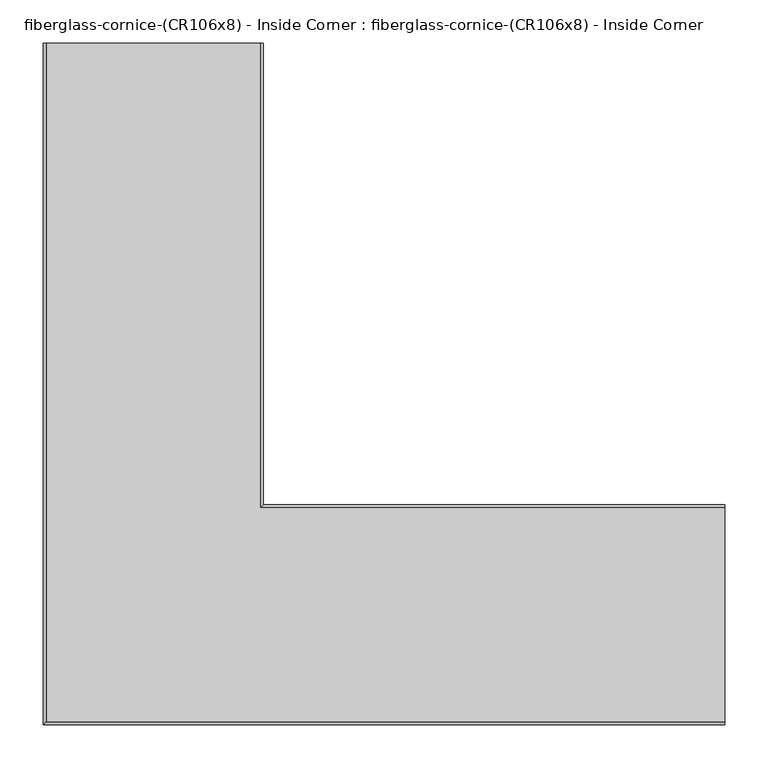
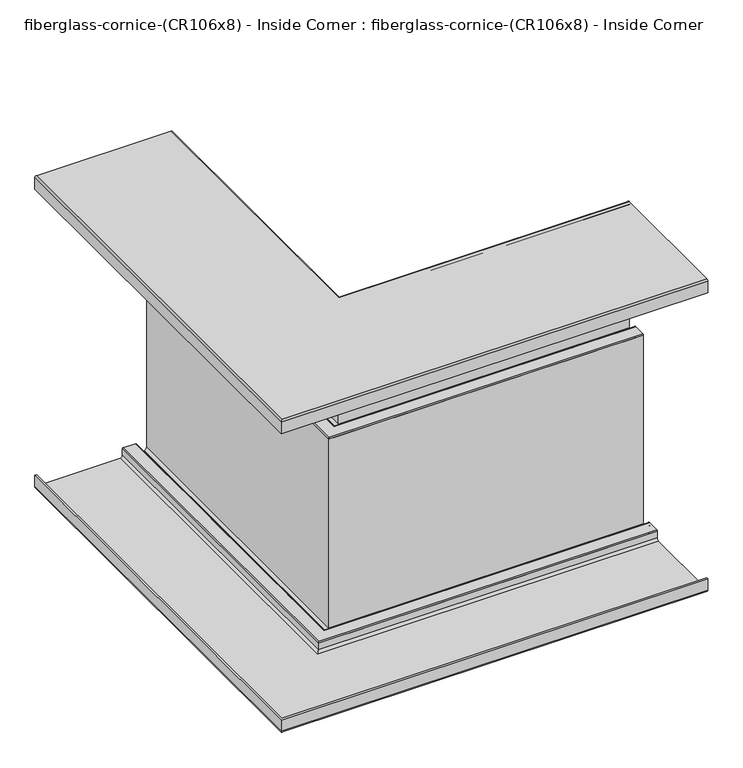
"""IFC4 building model written with IfcOpenShell, lengths in millimetres: furniture geometry, fiberglass-cornice-(CR106x8) - Inside Corner : fiberglass-cornice-(CR106x8) - Inside Corner."""

from ifc_helpers import new_model, si_unit, frame, origin, place, context, project, spatial, polyline, circle_curve, ellipse_curve, source, transform, mapped, element, save
from ifc_brep_helpers import plane_surface, cylinder_surface, revolved_surface, advanced_brep


def fiberglass_cornice_cr106x8_inside_corner_fiberglass_cornice_2d3d6bdf(model_context):
    return source(origin(), model_context, "Body", "AdvancedBrep", [
        advanced_brep(
        [(-393.6999938, 888.603125, 304.7999907), (-393.6999938, 888.603125, 327.0252086), (-390.525212, 888.603125, 330.1999904), (-142.8752837, 888.603125, 330.1999904), (-139.7002838, 888.603125, 327.0249905), (-139.7002838, 888.603125, 79.3750025), (-142.875304, 888.603125, 76.1999823), (-161.9251869, 888.603125, 76.1999823), (-165.1004455, 888.603125, 79.375241), (-165.1004455, 888.603125, 92.074994), (-168.2754359, 888.603125, 95.2499844), (-180.9753082, 888.603125, 95.2499844), (-184.15009, 888.603125, 92.0752026), (-184.15009, 888.603125, -276.2249969), (-187.3251102, 888.603125, -279.4000171), (-206.3749931, 888.603125, -279.4000171), (-209.5502517, 888.603125, -276.2247585), (-209.5502517, 888.603125, -263.5250352), (-212.7252719, 888.603125, -260.350015), (-225.4251144, 888.603125, -260.350015), (-228.600373, 888.603125, -263.5252737), (-228.600373, 888.603125, -276.2249969), (-231.7753932, 888.603125, -279.4000171), (-390.525212, 888.603125, -279.4000171), (-393.6999938, 888.603125, -276.2252353), (-393.6999938, 888.603125, -254.0000342), (-390.2076385, 888.603125, -254.0000342), (-390.2076385, 888.603125, -271.462407), (-385.7625625, 888.603125, -275.907483), (-236.5376852, 888.603125, -275.907483), (-232.0927284, 888.603125, -271.4625262), (-232.0927284, 888.603125, -258.7624453), (-230.1877639, 888.603125, -256.8574809), (-207.9629204, 888.603125, -256.8574809), (-206.0578964, 888.603125, -258.7625049), (-206.0578964, 888.603125, -271.462407), (-201.6128204, 888.603125, -275.907483), (-192.0875213, 888.603125, -275.907483), (-187.6429222, 888.603125, -271.4628838), (-187.6429222, 888.603125, 96.8375243), (-185.7379577, 888.603125, 98.7424888), (-163.5126076, 888.603125, 98.7424888), (-161.6076133, 888.603125, 96.8374945), (-161.6076133, 888.603125, 84.1375627), (-157.1625373, 888.603125, 79.6924867), (-147.6377151, 888.603125, 79.6924867), (-143.1926391, 888.603125, 84.1375627), (-143.1926391, 888.603125, 322.2624902), (-147.6376394, 888.603125, 326.7074905), (-385.7625625, 888.603125, 326.7074905), (-390.2076385, 888.603125, 322.2624145), (-390.2076385, 888.603125, 304.7999907), (393.6999938, 101.203125, 304.7999907), (393.6999938, 104.6954803, 304.7999907), (393.6999938, 104.6954803, 322.2624145), (393.6999938, 109.1405563, 326.7074905), (393.6999938, 347.2654794, 326.7074905), (393.6999938, 351.7104797, 322.2624902), (393.6999938, 351.7104797, 84.1375627), (393.6999938, 347.2654037, 79.6924867), (393.6999938, 337.7405815, 79.6924867), (393.6999938, 333.2955055, 84.1375627), (393.6999938, 333.2955055, 96.8374945), (393.6999938, 331.3905113, 98.7424888), (393.6999938, 309.1651611, 98.7424888), (393.6999938, 307.2601967, 96.8375243), (393.6999938, 307.2601967, -271.4628838), (393.6999938, 302.8155975, -275.907483), (393.6999938, 293.2902985, -275.907483), (393.6999938, 288.8452225, -271.462407), (393.6999938, 288.8452225, -258.7625049), (393.6999938, 286.9401984, -256.8574809), (393.6999938, 264.7153549, -256.8574809), (393.6999938, 262.8103905, -258.7624453), (393.6999938, 262.8103905, -271.4625262), (393.6999938, 258.3654337, -275.907483), (393.6999938, 109.1405563, -275.907483), (393.6999938, 104.6954803, -271.462407), (393.6999938, 104.6954803, -254.0000342), (393.6999938, 101.203125, -254.0000342), (393.6999938, 101.203125, -276.2252353), (393.6999938, 104.3779068, -279.4000171), (393.6999938, 263.1277256, -279.4000171), (393.6999938, 266.3027458, -276.2249969), (393.6999938, 266.3027458, -263.5252737), (393.6999938, 269.4780045, -260.350015), (393.6999938, 282.1778469, -260.350015), (393.6999938, 285.3528671, -263.5250352), (393.6999938, 285.3528671, -276.2247585), (393.6999938, 288.5281258, -279.4000171), (393.6999938, 307.5780087, -279.4000171), (393.6999938, 310.7530289, -276.2249969), (393.6999938, 310.7530289, 92.0752026), (393.6999938, 313.9278107, 95.2499844), (393.6999938, 326.6276829, 95.2499844), (393.6999938, 329.8026733, 92.074994), (393.6999938, 329.8026733, 79.375241), (393.6999938, 332.977932, 76.1999823), (393.6999938, 352.0278149, 76.1999823), (393.6999938, 355.2028351, 79.3750025), (393.6999938, 355.2028351, 327.0249905), (393.6999938, 352.0278351, 330.1999904), (393.6999938, 104.3779068, 330.1999904), (393.6999938, 101.203125, 327.0252086), (-393.6999938, 101.203125, 304.7999907), (-393.6999938, 101.203125, 327.0252086), (-390.525212, 104.3779068, 330.1999904), (-142.8752837, 352.0278351, 330.1999904), (-139.7002838, 355.2028351, 327.0249905), (-139.7002838, 355.2028351, 79.3750025), (-142.875304, 352.0278149, 76.1999823), (-161.9251869, 332.977932, 76.1999823), (-165.1004455, 329.8026733, 79.375241), (-165.1004455, 329.8026733, 92.074994), (-168.2754359, 326.6276829, 95.2499844), (-180.9753082, 313.9278107, 95.2499844), (-184.15009, 310.7530289, 92.0752026), (-184.15009, 310.7530289, -276.2249969), (-187.3251102, 307.5780087, -279.4000171), (-206.3749931, 288.5281258, -279.4000171), (-209.5502517, 285.3528671, -276.2247585), (-209.5502517, 285.3528671, -263.5250352), (-212.7252719, 282.1778469, -260.350015), (-225.4251144, 269.4780045, -260.350015), (-228.600373, 266.3027458, -263.5252737), (-228.600373, 266.3027458, -276.2249969), (-231.7753932, 263.1277256, -279.4000171), (-390.525212, 104.3779068, -279.4000171), (-393.6999938, 101.203125, -276.2252353), (-393.6999938, 101.203125, -254.0000342), (-390.2076385, 104.6954803, -254.0000342), (-390.2076385, 104.6954803, -271.462407), (-385.7625625, 109.1405563, -275.907483), (-236.5376852, 258.3654337, -275.907483), (-232.0927284, 262.8103905, -271.4625262), (-232.0927284, 262.8103905, -258.7624453), (-230.1877639, 264.7153549, -256.8574809), (-207.9629204, 286.9401984, -256.8574809), (-206.0578964, 288.8452225, -258.7625049), (-206.0578964, 288.8452225, -271.462407), (-201.6128204, 293.2902985, -275.907483), (-192.0875213, 302.8155975, -275.907483), (-187.6429222, 307.2601967, -271.4628838), (-187.6429222, 307.2601967, 96.8375243), (-185.7379577, 309.1651611, 98.7424888), (-163.5126076, 331.3905113, 98.7424888), (-161.6076133, 333.2955055, 96.8374945), (-161.6076133, 333.2955055, 84.1375627), (-157.1625373, 337.7405815, 79.6924867), (-147.6377151, 347.2654037, 79.6924867), (-143.1926391, 351.7104797, 84.1375627), (-143.1926391, 351.7104797, 322.2624902), (-147.6376394, 347.2654794, 326.7074905), (-385.7625625, 109.1405563, 326.7074905), (-390.2076385, 104.6954803, 322.2624145), (-390.2076385, 104.6954803, 304.7999907)],
        [
            (0, 1),
            (1, 2, circle_curve(frame((-390.525212, 888.603125, 327.0252086), z_axis=(0.0, 1.0, 0.0), x_axis=(1.0, 0.0, 0.0)), 3.1747818)),
            (2, 3),
            (3, 4, circle_curve(frame((-142.8752837, 888.603125, 327.0249905), z_axis=(0.0, 1.0, 0.0), x_axis=(1.0, 0.0, 0.0)), 3.175)),
            (4, 5),
            (5, 6, circle_curve(frame((-142.875304, 888.603125, 79.3750025), z_axis=(0.0, 1.0, 0.0), x_axis=(1.0, 0.0, 0.0)), 3.1750202)),
            (6, 7),
            (7, 8, circle_curve(frame((-161.9251869, 888.603125, 79.375241), z_axis=(0.0, 1.0, 0.0), x_axis=(1.0, 0.0, 0.0)), 3.1752586)),
            (8, 9),
            (9, 10, circle_curve(frame((-168.2754359, 888.603125, 92.074994), z_axis=(0.0, -1.0, 0.0), x_axis=(1.0, 0.0, 0.0)), 3.1749904)),
            (10, 11),
            (11, 12, circle_curve(frame((-180.9753082, 888.603125, 92.0752026), z_axis=(0.0, -1.0, 0.0), x_axis=(1.0, 0.0, 0.0)), 3.1747818)),
            (12, 13),
            (13, 14, circle_curve(frame((-187.3251102, 888.603125, -276.2249969), z_axis=(0.0, 1.0, 0.0), x_axis=(1.0, 0.0, 0.0)), 3.1750202)),
            (14, 15),
            (15, 16, circle_curve(frame((-206.3749931, 888.603125, -276.2247585), z_axis=(0.0, 1.0, 0.0), x_axis=(1.0, 0.0, 0.0)), 3.1752586)),
            (16, 17),
            (17, 18, circle_curve(frame((-212.7252719, 888.603125, -263.5250352), z_axis=(0.0, -1.0, 0.0), x_axis=(1.0, 0.0, 0.0)), 3.1750202)),
            (18, 19),
            (19, 20, circle_curve(frame((-225.4251144, 888.603125, -263.5252737), z_axis=(0.0, -1.0, 0.0), x_axis=(1.0, 0.0, 0.0)), 3.1752586)),
            (20, 21),
            (21, 22, circle_curve(frame((-231.7753932, 888.603125, -276.2249969), z_axis=(0.0, 1.0, 0.0), x_axis=(1.0, 0.0, 0.0)), 3.1750202)),
            (22, 23),
            (23, 24, circle_curve(frame((-390.525212, 888.603125, -276.2252353), z_axis=(0.0, 1.0, 0.0), x_axis=(1.0, 0.0, 0.0)), 3.1747818)),
            (24, 25),
            (25, 26),
            (26, 27),
            (27, 28, circle_curve(frame((-385.7625625, 888.603125, -271.462407), z_axis=(0.0, -1.0, 0.0), x_axis=(1.0, 0.0, 0.0)), 4.445076)),
            (28, 29),
            (29, 30, circle_curve(frame((-236.5376852, 888.603125, -271.4625262), z_axis=(0.0, -1.0, 0.0), x_axis=(1.0, 0.0, 0.0)), 4.4449568)),
            (30, 31),
            (31, 32, circle_curve(frame((-230.1877639, 888.603125, -258.7624453), z_axis=(0.0, 1.0, 0.0), x_axis=(1.0, 0.0, 0.0)), 1.9049644)),
            (32, 33),
            (33, 34, circle_curve(frame((-207.9629204, 888.603125, -258.7625049), z_axis=(0.0, 1.0, 0.0), x_axis=(1.0, 0.0, 0.0)), 1.9050241)),
            (34, 35),
            (35, 36, circle_curve(frame((-201.6128204, 888.603125, -271.462407), z_axis=(0.0, -1.0, 0.0), x_axis=(1.0, 0.0, 0.0)), 4.445076)),
            (36, 37),
            (37, 38, circle_curve(frame((-192.0875213, 888.603125, -271.4628838), z_axis=(0.0, -1.0, 0.0), x_axis=(1.0, 0.0, 0.0)), 4.4445992)),
            (38, 39),
            (39, 40, circle_curve(frame((-185.7379577, 888.603125, 96.8375243), z_axis=(0.0, 1.0, 0.0), x_axis=(1.0, 0.0, 0.0)), 1.9049644)),
            (40, 41),
            (41, 42, circle_curve(frame((-163.5126076, 888.603125, 96.8374945), z_axis=(0.0, 1.0, 0.0), x_axis=(1.0, 0.0, 0.0)), 1.9049942)),
            (42, 43),
            (43, 44, circle_curve(frame((-157.1625373, 888.603125, 84.1375627), z_axis=(0.0, -1.0, 0.0), x_axis=(1.0, 0.0, 0.0)), 4.445076)),
            (44, 45),
            (45, 46, circle_curve(frame((-147.6377151, 888.603125, 84.1375627), z_axis=(0.0, -1.0, 0.0), x_axis=(1.0, 0.0, 0.0)), 4.445076)),
            (46, 47),
            (47, 48, circle_curve(frame((-147.6376394, 888.603125, 322.2624902), z_axis=(0.0, -1.0, 0.0), x_axis=(1.0, 0.0, 0.0)), 4.4450003)),
            (48, 49),
            (49, 50, circle_curve(frame((-385.7625625, 888.603125, 322.2624145), z_axis=(0.0, -1.0, 0.0), x_axis=(1.0, 0.0, 0.0)), 4.445076)),
            (50, 51),
            (51, 0),
            (52, 53),
            (53, 54),
            (54, 55, circle_curve(frame((393.6999938, 109.1405563, 322.2624145), z_axis=(-1.0, 0.0, 0.0), x_axis=(0.0, 1.0, 0.0)), 4.445076)),
            (55, 56),
            (56, 57, circle_curve(frame((393.6999938, 347.2654794, 322.2624902), z_axis=(-1.0, 0.0, 0.0), x_axis=(0.0, 1.0, 0.0)), 4.4450003)),
            (57, 58),
            (58, 59, circle_curve(frame((393.6999938, 347.2654037, 84.1375627), z_axis=(-1.0, 0.0, 0.0), x_axis=(0.0, 1.0, 0.0)), 4.445076)),
            (59, 60),
            (60, 61, circle_curve(frame((393.6999938, 337.7405815, 84.1375627), z_axis=(-1.0, 0.0, 0.0), x_axis=(0.0, 1.0, 0.0)), 4.445076)),
            (61, 62),
            (62, 63, circle_curve(frame((393.6999938, 331.3905113, 96.8374945), z_axis=(1.0, 0.0, 0.0), x_axis=(0.0, 1.0, 0.0)), 1.9049942)),
            (63, 64),
            (64, 65, circle_curve(frame((393.6999938, 309.1651611, 96.8375243), z_axis=(1.0, 0.0, 0.0), x_axis=(0.0, 1.0, 0.0)), 1.9049644)),
            (65, 66),
            (66, 67, circle_curve(frame((393.6999938, 302.8155975, -271.4628838), z_axis=(-1.0, 0.0, 0.0), x_axis=(0.0, 1.0, 0.0)), 4.4445992)),
            (67, 68),
            (68, 69, circle_curve(frame((393.6999938, 293.2902985, -271.462407), z_axis=(-1.0, 0.0, 0.0), x_axis=(0.0, 1.0, 0.0)), 4.445076)),
            (69, 70),
            (70, 71, circle_curve(frame((393.6999938, 286.9401984, -258.7625049), z_axis=(1.0, 0.0, 0.0), x_axis=(0.0, 1.0, 0.0)), 1.9050241)),
            (71, 72),
            (72, 73, circle_curve(frame((393.6999938, 264.7153549, -258.7624453), z_axis=(1.0, 0.0, 0.0), x_axis=(0.0, 1.0, 0.0)), 1.9049644)),
            (73, 74),
            (74, 75, circle_curve(frame((393.6999938, 258.3654337, -271.4625262), z_axis=(-1.0, 0.0, 0.0), x_axis=(0.0, 1.0, 0.0)), 4.4449568)),
            (75, 76),
            (76, 77, circle_curve(frame((393.6999938, 109.1405563, -271.462407), z_axis=(-1.0, 0.0, 0.0), x_axis=(0.0, 1.0, 0.0)), 4.445076)),
            (77, 78),
            (78, 79),
            (79, 80),
            (80, 81, circle_curve(frame((393.6999938, 104.3779068, -276.2252353), z_axis=(1.0, 0.0, 0.0), x_axis=(0.0, 1.0, 0.0)), 3.1747818)),
            (81, 82),
            (82, 83, circle_curve(frame((393.6999938, 263.1277256, -276.2249969), z_axis=(1.0, 0.0, 0.0), x_axis=(0.0, 1.0, 0.0)), 3.1750202)),
            (83, 84),
            (84, 85, circle_curve(frame((393.6999938, 269.4780045, -263.5252737), z_axis=(-1.0, 0.0, 0.0), x_axis=(0.0, 1.0, 0.0)), 3.1752586)),
            (85, 86),
            (86, 87, circle_curve(frame((393.6999938, 282.1778469, -263.5250352), z_axis=(-1.0, 0.0, 0.0), x_axis=(0.0, 1.0, 0.0)), 3.1750202)),
            (87, 88),
            (88, 89, circle_curve(frame((393.6999938, 288.5281258, -276.2247585), z_axis=(1.0, 0.0, 0.0), x_axis=(0.0, 1.0, 0.0)), 3.1752586)),
            (89, 90),
            (90, 91, circle_curve(frame((393.6999938, 307.5780087, -276.2249969), z_axis=(1.0, 0.0, 0.0), x_axis=(0.0, 1.0, 0.0)), 3.1750202)),
            (91, 92),
            (92, 93, circle_curve(frame((393.6999938, 313.9278107, 92.0752026), z_axis=(-1.0, 0.0, 0.0), x_axis=(0.0, 1.0, 0.0)), 3.1747818)),
            (93, 94),
            (94, 95, circle_curve(frame((393.6999938, 326.6276829, 92.074994), z_axis=(-1.0, 0.0, 0.0), x_axis=(0.0, 1.0, 0.0)), 3.1749904)),
            (95, 96),
            (96, 97, circle_curve(frame((393.6999938, 332.977932, 79.375241), z_axis=(1.0, 0.0, 0.0), x_axis=(0.0, 1.0, 0.0)), 3.1752586)),
            (97, 98),
            (98, 99, circle_curve(frame((393.6999938, 352.0278149, 79.3750025), z_axis=(1.0, 0.0, 0.0), x_axis=(0.0, 1.0, 0.0)), 3.1750202)),
            (99, 100),
            (100, 101, circle_curve(frame((393.6999938, 352.0278351, 327.0249905), z_axis=(1.0, 0.0, 0.0), x_axis=(0.0, 1.0, 0.0)), 3.175)),
            (101, 102),
            (102, 103, circle_curve(frame((393.6999938, 104.3779068, 327.0252086), z_axis=(1.0, 0.0, 0.0), x_axis=(0.0, 1.0, 0.0)), 3.1747818)),
            (103, 52),
            (0, 104),
            (104, 105),
            (105, 1),
            (105, 106, ellipse_curve(frame((-390.525212, 104.3779068, 327.0252086), z_axis=(-0.7071067811865475, 0.7071067811865475, 0.0), x_axis=(0.7071067811865474, 0.7071067811865476, 0.0)), 4.4898195, 3.1747818)),
            (106, 2),
            (106, 102),
            (101, 107),
            (107, 3),
            (107, 108, ellipse_curve(frame((-142.8752837, 352.0278351, 327.0249905), z_axis=(-0.7071067811865475, 0.7071067811865475, 0.0), x_axis=(0.7071067811865474, 0.7071067811865476, 0.0)), 4.490128, 3.175)),
            (108, 4),
            (108, 109),
            (109, 5),
            (109, 110, ellipse_curve(frame((-142.875304, 352.0278149, 79.3750025), z_axis=(-0.7071067811865475, 0.7071067811865475, 0.0), x_axis=(0.7071067811865474, 0.7071067811865476, 0.0)), 4.4901567, 3.1750202)),
            (110, 6),
            (110, 98),
            (97, 111),
            (111, 7),
            (111, 112, ellipse_curve(frame((-161.9251869, 332.977932, 79.375241), z_axis=(-0.7071067811865475, 0.7071067811865475, 0.0), x_axis=(0.7071067811865474, 0.7071067811865476, 0.0)), 4.4904938, 3.1752586)),
            (112, 8),
            (112, 113),
            (113, 9),
            (113, 114, ellipse_curve(frame((-168.2754359, 326.6276829, 92.074994), z_axis=(0.7071067811865475, -0.7071067811865475, 0.0), x_axis=(-0.7071067811865474, -0.7071067811865476, 0.0)), 4.4901145, 3.1749904)),
            (114, 10),
            (114, 94),
            (93, 115),
            (115, 11),
            (115, 116, ellipse_curve(frame((-180.9753082, 313.9278107, 92.0752026), z_axis=(0.7071067811865475, -0.7071067811865475, 0.0), x_axis=(-0.7071067811865474, -0.7071067811865476, 0.0)), 4.4898195, 3.1747818)),
            (116, 12),
            (116, 117),
            (117, 13),
            (117, 118, ellipse_curve(frame((-187.3251102, 307.5780087, -276.2249969), z_axis=(-0.7071067811865475, 0.7071067811865475, 0.0), x_axis=(0.7071067811865474, 0.7071067811865476, 0.0)), 4.4901567, 3.1750202)),
            (118, 14),
            (118, 90),
            (89, 119),
            (119, 15),
            (119, 120, ellipse_curve(frame((-206.3749931, 288.5281258, -276.2247585), z_axis=(-0.7071067811865475, 0.7071067811865475, 0.0), x_axis=(0.7071067811865474, 0.7071067811865476, 0.0)), 4.4904938, 3.1752586)),
            (120, 16),
            (120, 121),
            (121, 17),
            (121, 122, ellipse_curve(frame((-212.7252719, 282.1778469, -263.5250352), z_axis=(0.7071067811865475, -0.7071067811865475, 0.0), x_axis=(-0.7071067811865474, -0.7071067811865476, 0.0)), 4.4901567, 3.1750202)),
            (122, 18),
            (122, 86),
            (85, 123),
            (123, 19),
            (123, 124, ellipse_curve(frame((-225.4251144, 269.4780045, -263.5252737), z_axis=(0.7071067811865475, -0.7071067811865475, 0.0), x_axis=(-0.7071067811865474, -0.7071067811865476, 0.0)), 4.4904938, 3.1752586)),
            (124, 20),
            (124, 125),
            (125, 21),
            (125, 126, ellipse_curve(frame((-231.7753932, 263.1277256, -276.2249969), z_axis=(-0.7071067811865475, 0.7071067811865475, 0.0), x_axis=(0.7071067811865474, 0.7071067811865476, 0.0)), 4.4901567, 3.1750202)),
            (126, 22),
            (126, 82),
            (81, 127),
            (127, 23),
            (127, 128, ellipse_curve(frame((-390.525212, 104.3779068, -276.2252353), z_axis=(-0.7071067811865475, 0.7071067811865475, 0.0), x_axis=(0.7071067811865474, 0.7071067811865476, 0.0)), 4.4898195, 3.1747818)),
            (128, 24),
            (128, 129),
            (129, 25),
            (129, 79),
            (78, 130),
            (130, 26),
            (130, 131),
            (131, 27),
            (131, 132, ellipse_curve(frame((-385.7625625, 109.1405563, -271.462407), z_axis=(0.7071067811865475, -0.7071067811865475, 0.0), x_axis=(-0.7071067811865474, -0.7071067811865476, 0.0)), 6.2862867, 4.445076)),
            (132, 28),
            (132, 76),
            (75, 133),
            (133, 29),
            (133, 134, ellipse_curve(frame((-236.5376852, 258.3654337, -271.4625262), z_axis=(0.7071067811865475, -0.7071067811865475, 0.0), x_axis=(-0.7071067811865474, -0.7071067811865476, 0.0)), 6.2861182, 4.4449568)),
            (134, 30),
            (134, 135),
            (135, 31),
            (135, 136, ellipse_curve(frame((-230.1877639, 264.7153549, -258.7624453), z_axis=(-0.7071067811865475, 0.7071067811865475, 0.0), x_axis=(0.7071067811865474, 0.7071067811865476, 0.0)), 2.6940266, 1.9049644)),
            (136, 32),
            (136, 72),
            (71, 137),
            (137, 33),
            (137, 138, ellipse_curve(frame((-207.9629204, 286.9401984, -258.7625049), z_axis=(-0.7071067811865475, 0.7071067811865475, 0.0), x_axis=(0.7071067811865474, 0.7071067811865476, 0.0)), 2.6941109, 1.9050241)),
            (138, 34),
            (138, 139),
            (139, 35),
            (139, 140, ellipse_curve(frame((-201.6128204, 293.2902985, -271.462407), z_axis=(0.7071067811865475, -0.7071067811865475, 0.0), x_axis=(-0.7071067811865474, -0.7071067811865476, 0.0)), 6.2862867, 4.445076)),
            (140, 36),
            (140, 68),
            (67, 141),
            (141, 37),
            (141, 142, ellipse_curve(frame((-192.0875213, 302.8155975, -271.4628838), z_axis=(0.7071067811865475, -0.7071067811865475, 0.0), x_axis=(-0.7071067811865474, -0.7071067811865476, 0.0)), 6.2856124, 4.4445992)),
            (142, 38),
            (142, 143),
            (143, 39),
            (143, 144, ellipse_curve(frame((-185.7379577, 309.1651611, 96.8375243), z_axis=(-0.7071067811865475, 0.7071067811865475, 0.0), x_axis=(0.7071067811865474, 0.7071067811865476, 0.0)), 2.6940266, 1.9049644)),
            (144, 40),
            (144, 64),
            (63, 145),
            (145, 41),
            (145, 146, ellipse_curve(frame((-163.5126076, 331.3905113, 96.8374945), z_axis=(-0.7071067811865475, 0.7071067811865475, 0.0), x_axis=(0.7071067811865474, 0.7071067811865476, 0.0)), 2.6940687, 1.9049942)),
            (146, 42),
            (146, 147),
            (147, 43),
            (147, 148, ellipse_curve(frame((-157.1625373, 337.7405815, 84.1375627), z_axis=(0.7071067811865475, -0.7071067811865475, 0.0), x_axis=(-0.7071067811865474, -0.7071067811865476, 0.0)), 6.2862867, 4.445076)),
            (148, 44),
            (148, 60),
            (59, 149),
            (149, 45),
            (149, 150, ellipse_curve(frame((-147.6377151, 347.2654037, 84.1375627), z_axis=(0.7071067811865475, -0.7071067811865475, 0.0), x_axis=(-0.7071067811865474, -0.7071067811865476, 0.0)), 6.2862867, 4.445076)),
            (150, 46),
            (150, 151),
            (151, 47),
            (151, 152, ellipse_curve(frame((-147.6376394, 347.2654794, 322.2624902), z_axis=(0.7071067811865475, -0.7071067811865475, 0.0), x_axis=(-0.7071067811865474, -0.7071067811865476, 0.0)), 6.2861797, 4.4450003)),
            (152, 48),
            (152, 56),
            (55, 153),
            (153, 49),
            (153, 154, ellipse_curve(frame((-385.7625625, 109.1405563, 322.2624145), z_axis=(0.7071067811865475, -0.7071067811865475, 0.0), x_axis=(-0.7071067811865474, -0.7071067811865476, 0.0)), 6.2862867, 4.445076)),
            (154, 50),
            (154, 155),
            (155, 51),
            (155, 53),
            (52, 104),
            (103, 105),
            (100, 108),
            (99, 109),
            (96, 112),
            (95, 113),
            (92, 116),
            (91, 117),
            (88, 120),
            (87, 121),
            (84, 124),
            (83, 125),
            (80, 128),
            (77, 131),
            (74, 134),
            (73, 135),
            (70, 138),
            (69, 139),
            (66, 142),
            (65, 143),
            (62, 146),
            (61, 147),
            (58, 150),
            (57, 151),
            (54, 154),
        ],
        [
            plane_surface(frame((-393.6999938, 888.603125, 330.1999904), z_axis=(0.0, 1.0, 0.0), x_axis=(0.0, 0.0, 1.0))),
            plane_surface(frame((393.6999938, 101.203125, 330.1999904), z_axis=(1.0, 0.0, 0.0), x_axis=(0.0, 0.0, 1.0))),
            plane_surface(frame((-393.6999938, 888.603125, 304.7999907), z_axis=(-1.0, 0.0, 0.0), x_axis=(0.0, -1.0, 0.0))),
            cylinder_surface(frame((-390.525212, 888.603125, 327.0252086), z_axis=(0.0, 1.0, 0.0), x_axis=(1.0, 0.0, 0.0)), 3.1747818),
            plane_surface(frame((-390.525212, 888.603125, 330.1999904), z_axis=(0.0, 0.0, 1.0), x_axis=(0.0, -1.0, 0.0))),
            cylinder_surface(frame((-142.8752837, 888.603125, 327.0249905), z_axis=(0.0, 1.0, 0.0), x_axis=(1.0, 0.0, 0.0)), 3.175),
            plane_surface(frame((-139.7002838, 888.603125, 327.0249905), z_axis=(1.0, 0.0, 0.0), x_axis=(0.0, -1.0, 0.0))),
            cylinder_surface(frame((-142.875304, 888.603125, 79.3750025), z_axis=(0.0, 1.0, 0.0), x_axis=(1.0, 0.0, 0.0)), 3.1750202),
            plane_surface(frame((-142.875304, 888.603125, 76.1999823), z_axis=(0.0, 0.0, -1.0), x_axis=(0.0, -1.0, 0.0))),
            cylinder_surface(frame((-161.9251869, 888.603125, 79.375241), z_axis=(0.0, 1.0, 0.0), x_axis=(1.0, 0.0, 0.0)), 3.1752586),
            plane_surface(frame((-165.1004455, 888.603125, 79.375241), z_axis=(-1.0, 0.0, 0.0), x_axis=(0.0, -1.0, 0.0))),
            revolved_surface(polyline([(-165.10044549999998, 323.4526924887459, 92.074994), (-165.10044549999998, 888.603125, 92.074994)]), (-168.2754359, 888.603125, 92.074994), (0.0, -1.0, 0.0)),
            plane_surface(frame((-168.2754359, 888.603125, 95.2499844), z_axis=(0.0, 0.0, -1.0), x_axis=(0.0, -1.0, 0.0))),
            revolved_surface(polyline([(-177.8005264, 310.7530288852464, 92.0752026), (-177.8005264, 888.603125, 92.0752026)]), (-180.9753082, 888.603125, 92.0752026), (0.0, -1.0, 0.0)),
            plane_surface(frame((-184.15009, 888.603125, 92.0752026), z_axis=(1.0, 0.0, 0.0), x_axis=(0.0, -1.0, 0.0))),
            cylinder_surface(frame((-187.3251102, 888.603125, -276.2249969), z_axis=(0.0, 1.0, 0.0), x_axis=(1.0, 0.0, 0.0)), 3.1750202),
            plane_surface(frame((-187.3251102, 888.603125, -279.4000171), z_axis=(0.0, 0.0, -1.0), x_axis=(0.0, -1.0, 0.0))),
            cylinder_surface(frame((-206.3749931, 888.603125, -276.2247585), z_axis=(0.0, 1.0, 0.0), x_axis=(1.0, 0.0, 0.0)), 3.1752586),
            plane_surface(frame((-209.5502517, 888.603125, -276.2247585), z_axis=(-1.0, 0.0, 0.0), x_axis=(0.0, -1.0, 0.0))),
            revolved_surface(polyline([(-209.5502517, 279.0028266488398, -263.5250352), (-209.5502517, 888.603125, -263.5250352)]), (-212.7252719, 888.603125, -263.5250352), (0.0, -1.0, 0.0)),
            plane_surface(frame((-212.7252719, 888.603125, -260.350015), z_axis=(0.0, 0.0, -1.0), x_axis=(0.0, -1.0, 0.0))),
            revolved_surface(polyline([(-222.2498558, 266.3027458, -263.5252737), (-222.2498558, 888.603125, -263.5252737)]), (-225.4251144, 888.603125, -263.5252737), (0.0, -1.0, 0.0)),
            plane_surface(frame((-228.600373, 888.603125, -263.5252737), z_axis=(1.0, 0.0, 0.0), x_axis=(0.0, -1.0, 0.0))),
            cylinder_surface(frame((-231.7753932, 888.603125, -276.2249969), z_axis=(0.0, 1.0, 0.0), x_axis=(1.0, 0.0, 0.0)), 3.1750202),
            plane_surface(frame((-231.7753932, 888.603125, -279.4000171), z_axis=(0.0, 0.0, -1.0), x_axis=(0.0, -1.0, 0.0))),
            cylinder_surface(frame((-390.525212, 888.603125, -276.2252353), z_axis=(0.0, 1.0, 0.0), x_axis=(1.0, 0.0, 0.0)), 3.1747818),
            plane_surface(frame((-393.6999938, 888.603125, -276.2252353), z_axis=(-1.0, 0.0, 0.0), x_axis=(0.0, -1.0, 0.0))),
            plane_surface(frame((-393.6999938, 888.603125, -254.0000342), z_axis=(0.0, 0.0, 1.0), x_axis=(0.0, -1.0, 0.0))),
            plane_surface(frame((-390.2076385, 888.603125, -254.0000342), z_axis=(1.0, 0.0, 0.0), x_axis=(0.0, -1.0, 0.0))),
            revolved_surface(polyline([(-381.3174865, 104.69548029999999, -271.462407), (-381.3174865, 888.603125, -271.462407)]), (-385.7625625, 888.603125, -271.462407), (0.0, -1.0, 0.0)),
            plane_surface(frame((-385.7625625, 888.603125, -275.907483), z_axis=(0.0, 0.0, 1.0), x_axis=(0.0, -1.0, 0.0))),
            revolved_surface(polyline([(-232.0927284, 253.92047689343974, -271.4625262), (-232.0927284, 888.603125, -271.4625262)]), (-236.5376852, 888.603125, -271.4625262), (0.0, -1.0, 0.0)),
            plane_surface(frame((-232.0927284, 888.603125, -271.4625262), z_axis=(-1.0, 0.0, 0.0), x_axis=(0.0, -1.0, 0.0))),
            cylinder_surface(frame((-230.1877639, 888.603125, -258.7624453), z_axis=(0.0, 1.0, 0.0), x_axis=(1.0, 0.0, 0.0)), 1.9049644),
            plane_surface(frame((-230.1877639, 888.603125, -256.8574809), z_axis=(0.0, 0.0, 1.0), x_axis=(0.0, -1.0, 0.0))),
            cylinder_surface(frame((-207.9629204, 888.603125, -258.7625049), z_axis=(0.0, 1.0, 0.0), x_axis=(1.0, 0.0, 0.0)), 1.9050241),
            plane_surface(frame((-206.0578964, 888.603125, -258.7625049), z_axis=(1.0, 0.0, 0.0), x_axis=(0.0, -1.0, 0.0))),
            revolved_surface(polyline([(-197.1677444, 288.8452225, -271.462407), (-197.1677444, 888.603125, -271.462407)]), (-201.6128204, 888.603125, -271.462407), (0.0, -1.0, 0.0)),
            plane_surface(frame((-201.6128204, 888.603125, -275.907483), z_axis=(0.0, 0.0, 1.0), x_axis=(0.0, -1.0, 0.0))),
            revolved_surface(polyline([(-187.6429221, 298.37099834804985, -271.4628838), (-187.6429221, 888.603125, -271.4628838)]), (-192.0875213, 888.603125, -271.4628838), (0.0, -1.0, 0.0)),
            plane_surface(frame((-187.6429222, 888.603125, -271.4628838), z_axis=(-1.0, 0.0, 0.0), x_axis=(0.0, -1.0, 0.0))),
            cylinder_surface(frame((-185.7379577, 888.603125, 96.8375243), z_axis=(0.0, 1.0, 0.0), x_axis=(1.0, 0.0, 0.0)), 1.9049644),
            plane_surface(frame((-185.7379577, 888.603125, 98.7424888), z_axis=(0.0, 0.0, 1.0), x_axis=(0.0, -1.0, 0.0))),
            cylinder_surface(frame((-163.5126076, 888.603125, 96.8374945), z_axis=(0.0, 1.0, 0.0), x_axis=(1.0, 0.0, 0.0)), 1.9049942),
            plane_surface(frame((-161.6076133, 888.603125, 96.8374945), z_axis=(1.0, 0.0, 0.0), x_axis=(0.0, -1.0, 0.0))),
            revolved_surface(polyline([(-152.7174613, 333.2955055, 84.1375627), (-152.7174613, 888.603125, 84.1375627)]), (-157.1625373, 888.603125, 84.1375627), (0.0, -1.0, 0.0)),
            plane_surface(frame((-157.1625373, 888.603125, 79.6924867), z_axis=(0.0, 0.0, 1.0), x_axis=(0.0, -1.0, 0.0))),
            revolved_surface(polyline([(-143.1926391, 342.8203277459472, 84.1375627), (-143.1926391, 888.603125, 84.1375627)]), (-147.6377151, 888.603125, 84.1375627), (0.0, -1.0, 0.0)),
            plane_surface(frame((-143.1926391, 888.603125, 84.1375627), z_axis=(-1.0, 0.0, 0.0), x_axis=(0.0, -1.0, 0.0))),
            revolved_surface(polyline([(-143.1926391, 342.8204791063728, 322.2624902), (-143.1926391, 888.603125, 322.2624902)]), (-147.6376394, 888.603125, 322.2624902), (0.0, -1.0, 0.0)),
            plane_surface(frame((-147.6376394, 888.603125, 326.7074905), z_axis=(0.0, 0.0, -1.0), x_axis=(0.0, -1.0, 0.0))),
            revolved_surface(polyline([(-381.3174865, 104.69548029999999, 322.2624145), (-381.3174865, 888.603125, 322.2624145)]), (-385.7625625, 888.603125, 322.2624145), (0.0, -1.0, 0.0)),
            plane_surface(frame((-390.2076385, 888.603125, 322.2624145), z_axis=(1.0, 0.0, 0.0), x_axis=(0.0, -1.0, 0.0))),
            plane_surface(frame((-390.2076385, 888.603125, 304.7999907), z_axis=(0.0, 0.0, -1.0), x_axis=(0.0, -1.0, 0.0))),
            plane_surface(frame((-393.6999938, 101.203125, 304.7999907), z_axis=(0.0, -1.0, 0.0), x_axis=(1.0, 0.0, 0.0))),
            cylinder_surface(frame((-393.6999938, 104.3779068, 327.0252086), z_axis=(-1.0, 0.0, 0.0), x_axis=(0.0, 1.0, 0.0)), 3.1747818),
            cylinder_surface(frame((-393.6999938, 352.0278351, 327.0249905), z_axis=(-1.0, 0.0, 0.0), x_axis=(0.0, 1.0, 0.0)), 3.175),
            plane_surface(frame((-139.7002838, 355.2028351, 327.0249905), z_axis=(0.0, 1.0, 0.0), x_axis=(1.0, 0.0, 0.0))),
            cylinder_surface(frame((-393.6999938, 352.0278149, 79.3750025), z_axis=(-1.0, 0.0, 0.0), x_axis=(0.0, 1.0, 0.0)), 3.1750202),
            cylinder_surface(frame((-393.6999938, 332.977932, 79.375241), z_axis=(-1.0, 0.0, 0.0), x_axis=(0.0, 1.0, 0.0)), 3.1752586),
            plane_surface(frame((-165.1004455, 329.8026733, 79.375241), z_axis=(0.0, -1.0, 0.0), x_axis=(1.0, 0.0, 0.0))),
            revolved_surface(polyline([(393.6999938, 329.80267330000004, 92.074994), (-171.45042631125403, 329.80267330000004, 92.074994)]), (-393.6999938, 326.6276829, 92.074994), (1.0, 0.0, 0.0)),
            revolved_surface(polyline([(393.6999938, 317.1025925, 92.0752026), (-184.1500900147536, 317.1025925, 92.0752026)]), (-393.6999938, 313.9278107, 92.0752026), (1.0, 0.0, 0.0)),
            plane_surface(frame((-184.15009, 310.7530289, 92.0752026), z_axis=(0.0, 1.0, 0.0), x_axis=(1.0, 0.0, 0.0))),
            cylinder_surface(frame((-393.6999938, 307.5780087, -276.2249969), z_axis=(-1.0, 0.0, 0.0), x_axis=(0.0, 1.0, 0.0)), 3.1750202),
            cylinder_surface(frame((-393.6999938, 288.5281258, -276.2247585), z_axis=(-1.0, 0.0, 0.0), x_axis=(0.0, 1.0, 0.0)), 3.1752586),
            plane_surface(frame((-209.5502517, 285.3528671, -276.2247585), z_axis=(0.0, -1.0, 0.0), x_axis=(1.0, 0.0, 0.0))),
            revolved_surface(polyline([(393.6999938, 285.3528671, -263.5250352), (-215.90029215116022, 285.3528671, -263.5250352)]), (-393.6999938, 282.1778469, -263.5250352), (1.0, 0.0, 0.0)),
            revolved_surface(polyline([(393.6999938, 272.6532631, -263.5252737), (-228.60037301685617, 272.6532631, -263.5252737)]), (-393.6999938, 269.4780045, -263.5252737), (1.0, 0.0, 0.0)),
            plane_surface(frame((-228.600373, 266.3027458, -263.5252737), z_axis=(0.0, 1.0, 0.0), x_axis=(1.0, 0.0, 0.0))),
            cylinder_surface(frame((-393.6999938, 263.1277256, -276.2249969), z_axis=(-1.0, 0.0, 0.0), x_axis=(0.0, 1.0, 0.0)), 3.1750202),
            cylinder_surface(frame((-393.6999938, 104.3779068, -276.2252353), z_axis=(-1.0, 0.0, 0.0), x_axis=(0.0, 1.0, 0.0)), 3.1747818),
            plane_surface(frame((-393.6999938, 101.203125, -276.2252353), z_axis=(0.0, -1.0, 0.0), x_axis=(1.0, 0.0, 0.0))),
            plane_surface(frame((-390.2076385, 104.6954803, -254.0000342), z_axis=(0.0, 1.0, 0.0), x_axis=(1.0, 0.0, 0.0))),
            revolved_surface(polyline([(393.6999938, 113.5856323, -271.462407), (-390.2076385, 113.5856323, -271.462407)]), (-393.6999938, 109.1405563, -271.462407), (1.0, 0.0, 0.0)),
            revolved_surface(polyline([(393.6999938, 262.8103905, -271.4625262), (-240.98264200656018, 262.8103905, -271.4625262)]), (-393.6999938, 258.3654337, -271.4625262), (1.0, 0.0, 0.0)),
            plane_surface(frame((-232.0927284, 262.8103905, -271.4625262), z_axis=(0.0, -1.0, 0.0), x_axis=(1.0, 0.0, 0.0))),
            cylinder_surface(frame((-393.6999938, 264.7153549, -258.7624453), z_axis=(-1.0, 0.0, 0.0), x_axis=(0.0, 1.0, 0.0)), 1.9049644),
            cylinder_surface(frame((-393.6999938, 286.9401984, -258.7625049), z_axis=(-1.0, 0.0, 0.0), x_axis=(0.0, 1.0, 0.0)), 1.9050241),
            plane_surface(frame((-206.0578964, 288.8452225, -258.7625049), z_axis=(0.0, 1.0, 0.0), x_axis=(1.0, 0.0, 0.0))),
            revolved_surface(polyline([(393.6999938, 297.73537450000003, -271.462407), (-206.0578964, 297.73537450000003, -271.462407)]), (-393.6999938, 293.2902985, -271.462407), (1.0, 0.0, 0.0)),
            revolved_surface(polyline([(393.6999938, 307.26019670000005, -271.4628838), (-196.53212045195025, 307.26019670000005, -271.4628838)]), (-393.6999938, 302.8155975, -271.4628838), (1.0, 0.0, 0.0)),
            plane_surface(frame((-187.6429222, 307.2601967, -271.4628838), z_axis=(0.0, -1.0, 0.0), x_axis=(1.0, 0.0, 0.0))),
            cylinder_surface(frame((-393.6999938, 309.1651611, 96.8375243), z_axis=(-1.0, 0.0, 0.0), x_axis=(0.0, 1.0, 0.0)), 1.9049644),
            cylinder_surface(frame((-393.6999938, 331.3905113, 96.8374945), z_axis=(-1.0, 0.0, 0.0), x_axis=(0.0, 1.0, 0.0)), 1.9049942),
            plane_surface(frame((-161.6076133, 333.2955055, 96.8374945), z_axis=(0.0, 1.0, 0.0), x_axis=(1.0, 0.0, 0.0))),
            revolved_surface(polyline([(393.6999938, 342.18565750000005, 84.1375627), (-161.6076133, 342.18565750000005, 84.1375627)]), (-393.6999938, 337.7405815, 84.1375627), (1.0, 0.0, 0.0)),
            revolved_surface(polyline([(393.6999938, 351.71047969999995, 84.1375627), (-152.08279105405282, 351.71047969999995, 84.1375627)]), (-393.6999938, 347.2654037, 84.1375627), (1.0, 0.0, 0.0)),
            plane_surface(frame((-143.1926391, 351.7104797, 84.1375627), z_axis=(0.0, -1.0, 0.0), x_axis=(1.0, 0.0, 0.0))),
            revolved_surface(polyline([(393.6999938, 351.7104797, 322.2624902), (-152.08263969362721, 351.7104797, 322.2624902)]), (-393.6999938, 347.2654794, 322.2624902), (1.0, 0.0, 0.0)),
            revolved_surface(polyline([(393.6999938, 113.5856323, 322.2624145), (-390.2076385, 113.5856323, 322.2624145)]), (-393.6999938, 109.1405563, 322.2624145), (1.0, 0.0, 0.0)),
            plane_surface(frame((-390.2076385, 104.6954803, 322.2624145), z_axis=(0.0, 1.0, 0.0), x_axis=(1.0, 0.0, 0.0))),
        ],
        [
            (0, [[1, 2, 3, 4, 5, 6, 7, 8, 9, 10, 11, 12, 13, 14, 15, 16, 17, 18, 19, 20, 21, 22, 23, 24, 25, 26, 27, 28, 29, 30, 31, 32, 33, 34, 35, 36, 37, 38, 39, 40, 41, 42, 43, 44, 45, 46, 47, 48, 49, 50, 51, 52]]),
            (1, [[53, 54, 55, 56, 57, 58, 59, 60, 61, 62, 63, 64, 65, 66, 67, 68, 69, 70, 71, 72, 73, 74, 75, 76, 77, 78, 79, 80, 81, 82, 83, 84, 85, 86, 87, 88, 89, 90, 91, 92, 93, 94, 95, 96, 97, 98, 99, 100, 101, 102, 103, 104]]),
            (2, [[-1, 105, 106, 107]]),
            (3, [[-2, -107, 108, 109]]),
            (4, [[-3, -109, 110, -102, 111, 112]]),
            (5, [[-4, -112, 113, 114]]),
            (6, [[-5, -114, 115, 116]]),
            (7, [[-6, -116, 117, 118]]),
            (8, [[-7, -118, 119, -98, 120, 121]]),
            (9, [[-8, -121, 122, 123]]),
            (10, [[-9, -123, 124, 125]]),
            (11, [[-10, -125, 126, 127]]),
            (12, [[-11, -127, 128, -94, 129, 130]]),
            (13, [[-12, -130, 131, 132]]),
            (14, [[-13, -132, 133, 134]]),
            (15, [[-14, -134, 135, 136]]),
            (16, [[-15, -136, 137, -90, 138, 139]]),
            (17, [[-16, -139, 140, 141]]),
            (18, [[-17, -141, 142, 143]]),
            (19, [[-18, -143, 144, 145]]),
            (20, [[-19, -145, 146, -86, 147, 148]]),
            (21, [[-20, -148, 149, 150]]),
            (22, [[-21, -150, 151, 152]]),
            (23, [[-22, -152, 153, 154]]),
            (24, [[-23, -154, 155, -82, 156, 157]]),
            (25, [[-24, -157, 158, 159]]),
            (26, [[-25, -159, 160, 161]]),
            (27, [[-26, -161, 162, -79, 163, 164]]),
            (28, [[-27, -164, 165, 166]]),
            (29, [[-28, -166, 167, 168]]),
            (30, [[-29, -168, 169, -76, 170, 171]]),
            (31, [[-30, -171, 172, 173]]),
            (32, [[-31, -173, 174, 175]]),
            (33, [[-32, -175, 176, 177]]),
            (34, [[-33, -177, 178, -72, 179, 180]]),
            (35, [[-34, -180, 181, 182]]),
            (36, [[-35, -182, 183, 184]]),
            (37, [[-36, -184, 185, 186]]),
            (38, [[-37, -186, 187, -68, 188, 189]]),
            (39, [[-38, -189, 190, 191]]),
            (40, [[-39, -191, 192, 193]]),
            (41, [[-40, -193, 194, 195]]),
            (42, [[-41, -195, 196, -64, 197, 198]]),
            (43, [[-42, -198, 199, 200]]),
            (44, [[-43, -200, 201, 202]]),
            (45, [[-44, -202, 203, 204]]),
            (46, [[-45, -204, 205, -60, 206, 207]]),
            (47, [[-46, -207, 208, 209]]),
            (48, [[-47, -209, 210, 211]]),
            (49, [[-48, -211, 212, 213]]),
            (50, [[-49, -213, 214, -56, 215, 216]]),
            (51, [[-50, -216, 217, 218]]),
            (52, [[-51, -218, 219, 220]]),
            (53, [[-52, -220, 221, -53, 222, -105]]),
            (54, [[-106, -222, -104, 223]]),
            (55, [[-108, -223, -103, -110]]),
            (56, [[-113, -111, -101, 224]]),
            (57, [[-115, -224, -100, 225]]),
            (58, [[-117, -225, -99, -119]]),
            (59, [[-122, -120, -97, 226]]),
            (60, [[-124, -226, -96, 227]]),
            (61, [[-126, -227, -95, -128]]),
            (62, [[-131, -129, -93, 228]]),
            (63, [[-133, -228, -92, 229]]),
            (64, [[-135, -229, -91, -137]]),
            (65, [[-140, -138, -89, 230]]),
            (66, [[-142, -230, -88, 231]]),
            (67, [[-144, -231, -87, -146]]),
            (68, [[-149, -147, -85, 232]]),
            (69, [[-151, -232, -84, 233]]),
            (70, [[-153, -233, -83, -155]]),
            (71, [[-158, -156, -81, 234]]),
            (72, [[-160, -234, -80, -162]]),
            (73, [[-165, -163, -78, 235]]),
            (74, [[-167, -235, -77, -169]]),
            (75, [[-172, -170, -75, 236]]),
            (76, [[-174, -236, -74, 237]]),
            (77, [[-176, -237, -73, -178]]),
            (78, [[-181, -179, -71, 238]]),
            (79, [[-183, -238, -70, 239]]),
            (80, [[-185, -239, -69, -187]]),
            (81, [[-190, -188, -67, 240]]),
            (82, [[-192, -240, -66, 241]]),
            (83, [[-194, -241, -65, -196]]),
            (84, [[-199, -197, -63, 242]]),
            (85, [[-201, -242, -62, 243]]),
            (86, [[-203, -243, -61, -205]]),
            (87, [[-208, -206, -59, 244]]),
            (88, [[-210, -244, -58, 245]]),
            (89, [[-212, -245, -57, -214]]),
            (90, [[-217, -215, -55, 246]]),
            (91, [[-219, -246, -54, -221]]),
        ],
    ),
    ])


if __name__ == "__main__":
    model = new_model("IFC4")
    model_context = context("Model", 3, world=origin())
    ifc_project = project(units=[si_unit("LENGTHUNIT", "METRE", prefix="MILLI")], contexts=[model_context])
    site = spatial("IfcSite", under=ifc_project)
    building = spatial("IfcBuilding", under=site)
    placement = place(None, origin())
    fiberglass_cornice_cr106x8_inside_corner_fiberglass_cornice_shape = fiberglass_cornice_cr106x8_inside_corner_fiberglass_cornice_2d3d6bdf(model_context)
    element("IfcFurniture", 1, ObjectType="fiberglass-cornice-(CR106x8) - Inside Corner : fiberglass-cornice-(CR106x8) - Inside Corner", at=placement, inside=building, context=model_context, shape_type="MappedRepresentation", body=[
        mapped(fiberglass_cornice_cr106x8_inside_corner_fiberglass_cornice_shape, transform((0.0, 0.0, 0.0), x_axis=(1.0, 0.0, 0.0), y_axis=(0.0, 1.0, 0.0), z_axis=(0.0, 0.0, 1.0))),
    ])
    save(model, "model.ifc")
